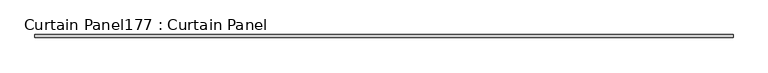
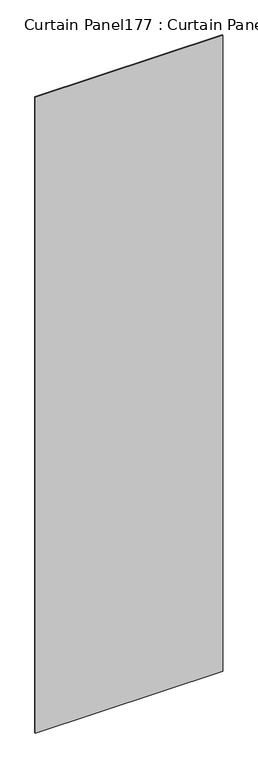
"""IFC4 building model written with IfcOpenShell, lengths in millimetres: plate geometry, Curtain Panel177 : Curtain Panel."""

from ifc_helpers import new_model, si_unit, frame, origin, place, context, project, spatial, polyline, outline, extrude, source, transform, mapped, element, save


def curtain_panel177_curtain_panel_c6ffc3cd(model_context):
    return source(origin(), model_context, "Body", "SweptSolid", [
        extrude(outline(polyline([(529333.9957972, 2670.1439437), (523447.7817872, 2670.1439437), (523447.7817872, 2695.5439437), (529333.9957972, 2695.5439437), (529333.9957972, 2670.1439437)])), frame((0.0, 0.0, 4959.7989371), z_axis=(0.0, 0.0, 1.0), x_axis=(1.0, 0.0, 0.0)), (0.0, 0.0, 1.0), 21130.6858358),
    ])


if __name__ == "__main__":
    model = new_model("IFC4")
    model_context = context("Model", 3, world=origin())
    ifc_project = project(units=[si_unit("LENGTHUNIT", "METRE", prefix="MILLI")], contexts=[model_context])
    site = spatial("IfcSite", under=ifc_project)
    building = spatial("IfcBuilding", under=site)
    placement = place(None, origin())
    curtain_panel177_curtain_panel_shape = curtain_panel177_curtain_panel_c6ffc3cd(model_context)
    element("IfcPlate", 1, ObjectType="Curtain Panel177 : Curtain Panel", at=placement, inside=building, context=model_context, shape_type="MappedRepresentation", body=[
        mapped(curtain_panel177_curtain_panel_shape, transform((0.0, 0.0, 0.0), x_axis=(1.0, 0.0, 0.0), y_axis=(0.0, 1.0, 0.0), z_axis=(0.0, 0.0, 1.0))),
    ])
    save(model, "model.ifc")
